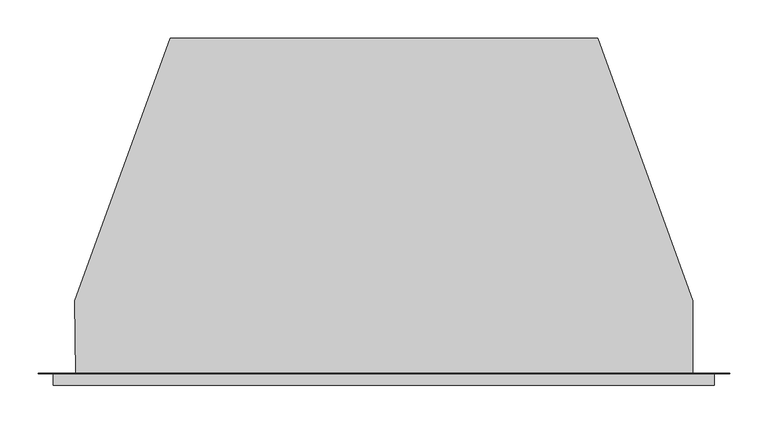
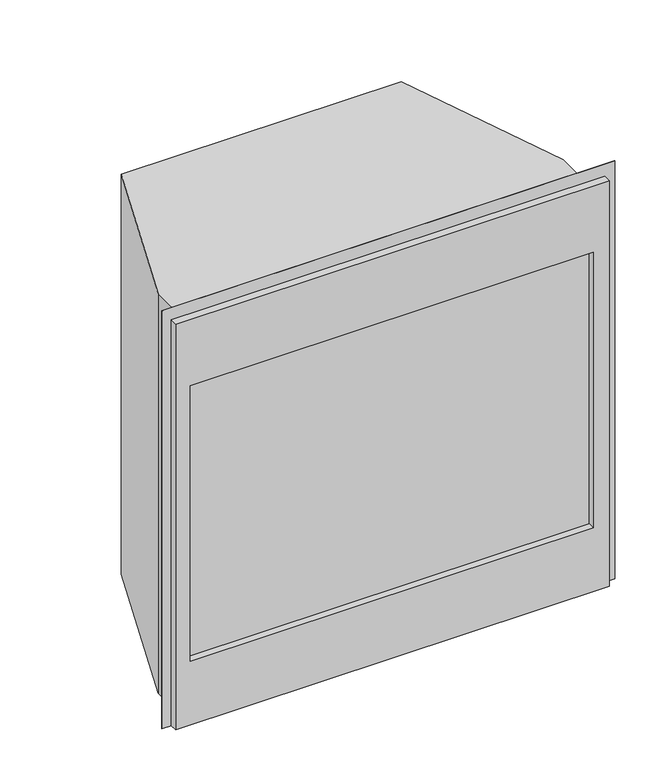
"""IFC4 building model written with IfcOpenShell, lengths in millimetres: proxy geometry."""

import ifcopenshell
import ifcopenshell.guid

model = None  # the IFC model being written
_history = None  # IfcOwnerHistory: only IFC2X3 demands one
_inside = {}  # id of a spatial element -> (the spatial element, [elements in it])
_under = {}  # id of a project, library or spatial element -> (it, [spatial elements below it])
_declared = {}  # id of a project -> (the project, [libraries it declares])
_typed = {}  # id of a type object -> (the type object, [elements of that type])
_made_of = {}  # id of a material, layer set ... -> (it, [elements and type objects made of it])


def new_model(schema):
    """Start an empty IFC model of exactly this schema.

    Asked for "IFC4X3", IfcOpenShell would pick the latest addendum, in which some entities
    have other attributes; the version numbers below select the first issue.
    IFC2X3 requires an IfcOwnerHistory on every rooted entity: one is made here for all.
    """
    global model, _history
    if schema == "IFC4X3":
        model = ifcopenshell.file(schema_version=(4, 3, 0, 0))
    else:
        model = ifcopenshell.file(schema=schema)
    _inside.clear()
    _under.clear()
    _declared.clear()
    _typed.clear()
    _made_of.clear()
    _history = None
    if model.schema == "IFC2X3":
        org = make("IfcOrganization", Name="unknown")
        user = make(
            "IfcPersonAndOrganization",
            ThePerson=make("IfcPerson", FamilyName="unknown"),
            TheOrganization=org,
        )
        app = make(
            "IfcApplication",
            ApplicationDeveloper=org,
            Version="unknown",
            ApplicationFullName="unknown",
            ApplicationIdentifier="unknown",
        )
        _history = make(
            "IfcOwnerHistory",
            OwningUser=user,
            OwningApplication=app,
            ChangeAction="ADDED",
            CreationDate=0,
        )
    return model


def make(cls, **values):
    """One entity of the class cls with the attributes given. An attribute that is None is left unset."""
    return model.create_entity(
        cls, **{name: value for name, value in values.items() if value is not None}
    )


def rooted(cls, **values):
    """An entity with a GlobalId (a new one), such as an element, a storey or a relation."""
    return make(cls, GlobalId=ifcopenshell.guid.new(), OwnerHistory=_history, **values)


def si_unit(unit_type, name, prefix=None):
    """IfcSIUnit, for example si_unit("LENGTHUNIT", "METRE", prefix="MILLI")."""
    return make("IfcSIUnit", UnitType=unit_type, Prefix=prefix, Name=name)


def assignment(units):
    """IfcUnitAssignment: the units of a project."""
    return None if units is None else make("IfcUnitAssignment", Units=units)


def point(xyz):
    """IfcCartesianPoint."""
    return None if xyz is None else make("IfcCartesianPoint", Coordinates=xyz)


def direction(xyz):
    """IfcDirection."""
    return None if xyz is None else make("IfcDirection", DirectionRatios=xyz)


def frame(location, z_axis=None, x_axis=None):
    """IfcAxis2Placement3D, a coordinate frame: its origin and axes. An axis left out is left unset."""
    return make(
        "IfcAxis2Placement3D",
        Location=point(location),
        Axis=direction(z_axis),
        RefDirection=direction(x_axis),
    )


def origin():
    """The frame at (0, 0, 0) with its axes left unset."""
    return frame((0.0, 0.0, 0.0))


def place(relative_to, where):
    """IfcLocalPlacement: puts the frame where relative to a parent placement (None: the world)."""
    return make(
        "IfcLocalPlacement", PlacementRelTo=relative_to, RelativePlacement=where
    )


def context(
    kind, dimensions, precision=None, world=None, true_north=None, identifier=None
):
    """IfcGeometricRepresentationContext, for example the 3D "Model" context."""
    return make(
        "IfcGeometricRepresentationContext",
        ContextIdentifier=identifier,
        ContextType=kind,
        CoordinateSpaceDimension=dimensions,
        Precision=precision,
        WorldCoordinateSystem=world,
        TrueNorth=true_north,
    )


def project(units=None, contexts=None):
    """IfcProject with its units and contexts."""
    return rooted(
        "IfcProject",
        Name="project",
        RepresentationContexts=contexts,
        UnitsInContext=assignment(units),
    )


def spatial(cls, under=None, at=None, **own):
    """A site, building, storey or space (cls), placed at a placement, below another one or the project."""
    s = rooted(cls, ObjectPlacement=at, **own)
    if under is not None:
        _under.setdefault(under.id(), (under, []))[1].append(s)
    return s


def faces_of(points, faces, orient=None, outer=None):
    """IfcFace entities. A face is a list of loops; a loop is a list of indices into points, from 0.

    orient and outer hold one flag for each loop. By default every Orientation is true, the
    first loop of a face is its IfcFaceOuterBound and the others are IfcFaceBound.
    """
    made = []
    for i, loops in enumerate(faces):
        bounds = []
        for j, loop in enumerate(loops):
            is_outer = j == 0 if outer is None else outer[i][j]
            bounds.append(
                make(
                    "IfcFaceOuterBound" if is_outer else "IfcFaceBound",
                    Bound=make("IfcPolyLoop", Polygon=[points[k] for k in loop]),
                    Orientation=True if orient is None else orient[i][j],
                )
            )
        made.append(make("IfcFace", Bounds=bounds))
    return made


def faceted_brep(points, faces, orient=None, outer=None, voids=None):
    """IfcFacetedBrep: a solid bounded by flat faces; with voids (closed shells), ...WithVoids."""
    shared = [point(p) for p in points]
    hull = make("IfcClosedShell", CfsFaces=faces_of(shared, faces, orient, outer))
    if voids is None:
        return make("IfcFacetedBrep", Outer=hull)
    return make(
        "IfcFacetedBrepWithVoids",
        Outer=hull,
        Voids=[
            make(cls, CfsFaces=faces_of(shared, fs, o, b)) for cls, fs, o, b in voids
        ],
    )


def shape(context_of_items, identifier, shape_type, items):
    """IfcShapeRepresentation: the items that make up one representation, for example the "Body"."""
    return make(
        "IfcShapeRepresentation",
        ContextOfItems=context_of_items,
        RepresentationIdentifier=identifier,
        RepresentationType=shape_type,
        Items=items,
    )


def source(mapping_origin, context_of_items, identifier, shape_type, items):
    """IfcRepresentationMap: a shape defined once, which mapped items show again and again."""
    return make(
        "IfcRepresentationMap",
        MappingOrigin=mapping_origin,
        MappedRepresentation=shape(context_of_items, identifier, shape_type, items),
    )


def transform(
    local_origin,
    x_axis=None,
    y_axis=None,
    z_axis=None,
    scale=None,
    scale2=None,
    scale3=None,
    uniform=True,
):
    """IfcCartesianTransformationOperator3D, or its non-uniform kind. x_axis, y_axis, z_axis: its Axis1, 2, 3."""
    if uniform:
        return make(
            "IfcCartesianTransformationOperator3D",
            Axis1=direction(x_axis),
            Axis2=direction(y_axis),
            LocalOrigin=point(local_origin),
            Scale=scale,
            Axis3=direction(z_axis),
        )
    return make(
        "IfcCartesianTransformationOperator3DnonUniform",
        Axis1=direction(x_axis),
        Axis2=direction(y_axis),
        LocalOrigin=point(local_origin),
        Scale=scale,
        Axis3=direction(z_axis),
        Scale2=scale2,
        Scale3=scale3,
    )


def mapped(mapping_source, mapping_target):
    """IfcMappedItem: shows the shape of a source again, moved by a transform."""
    return make(
        "IfcMappedItem", MappingSource=mapping_source, MappingTarget=mapping_target
    )


def made_of(thing, what):
    """Note that an element or type object is made of a material, layer set ...; save() writes the relation."""
    if what is not None:
        _made_of.setdefault(what.id(), (what, []))[1].append(thing)
    return thing


def element(
    cls,
    number,
    at=None,
    inside=None,
    cuts=None,
    type_object=None,
    material=None,
    context=None,
    identifier="Body",
    shape_type=None,
    held_by="IfcProductDefinitionShape",
    body=None,
    shapes=None,
    **own,
):
    """One element of the class cls, such as IfcWall. Its Tag is "e" and its number.

    at: its placement. inside: the storey or other place that contains it. cuts: it is an
    opening in that element (IfcRelVoidsElement). A single representation is given by context,
    identifier, shape_type and body (its items); several are given by shapes. held_by: the class
    of the entity that holds the representations. save() writes the other relations.
    """
    e = rooted(cls, Tag="e%d" % number, ObjectPlacement=at, **own)
    if body is not None:
        shapes = [shape(context, identifier, shape_type, body)]
    if shapes is not None:
        e.Representation = make(held_by, Representations=shapes)
    if inside is not None:
        _inside.setdefault(inside.id(), (inside, []))[1].append(e)
    if cuts is not None:
        rooted(
            "IfcRelVoidsElement", RelatingBuildingElement=cuts, RelatedOpeningElement=e
        )
    if type_object is not None:
        _typed.setdefault(type_object.id(), (type_object, []))[1].append(e)
    return made_of(e, material)


def aggregate(whole, parts):
    """IfcRelAggregates: a whole, such as a stair, and the parts it consists of."""
    return rooted("IfcRelAggregates", RelatingObject=whole, RelatedObjects=parts)


def save(model, path):
    """Write the relations noted so far, then the file.

    IfcRelAggregates (storeys below a building ...), IfcRelContainedInSpatialStructure (elements
    in a storey), IfcRelDefinesByType, IfcRelAssociatesMaterial and IfcRelDeclares: one each for
    every whole, place, type object, material and project.
    """
    for whole, parts in _under.values():
        aggregate(whole, parts)
    for where, things in _inside.values():
        rooted(
            "IfcRelContainedInSpatialStructure",
            RelatedElements=things,
            RelatingStructure=where,
        )
    for kind, things in _typed.values():
        rooted("IfcRelDefinesByType", RelatedObjects=things, RelatingType=kind)
    for what, things in _made_of.values():
        rooted("IfcRelAssociatesMaterial", RelatedObjects=things, RelatingMaterial=what)
    for by, libraries in _declared.values():
        rooted("IfcRelDeclares", RelatingContext=by, RelatedDefinitions=libraries)
    model.write(path)


def generic_models_903b1cdc(model_context):
    return source(origin(), model_context, "Body", "Brep", [
        faceted_brep([(-430.2633256, -15.0876045, 850.9), (429.3996841, -15.0876045, 850.9), (429.3996841, -0.0317642, 850.9), (-430.2633256, -0.0317642, 850.9), (429.3996841, -15.0876045, 0.0), (-430.2633256, -15.0876045, 0.0), (-430.2633256, -0.0317642, 0.0), (-449.2117018, -0.0317642, 0.0), (-449.2117018, 0.7619858, 0.0), (-400.9094015, 0.7619858, 0.0), (-401.7229302, 94.8813516, 0.0), (-277.6662527, 435.7242957, 0.0), (277.6662229, 435.7242957, 0.0), (401.6984254, 94.9485959, 0.0), (401.6984254, 0.7619858, 0.0), (449.2116719, 0.7619858, 0.0), (449.2116719, -0.0317642, 0.0), (429.3996841, -0.0317642, 0.0), (-400.9028152, -15.0876045, 711.2), (398.4625, -15.0876045, 711.2), (398.4625, -15.0876045, 133.35), (-400.9028152, -15.0876045, 133.35), (-449.2117018, 0.7619858, 876.3), (449.2116719, 0.7619858, 876.3), (401.6984254, 0.7619858, 838.2), (-400.9094015, 0.7619858, 838.2), (-449.2117018, -0.0317642, 876.3), (449.2116719, -0.0317642, 876.3), (398.4625, -0.0317642, 711.2), (-400.9028152, -0.0317642, 711.2), (-400.9028152, -0.0317642, 133.35), (398.4625, -0.0317642, 133.35), (401.6984254, 94.9485959, 838.2), (277.6662229, 435.7242957, 838.2), (-277.6662527, 435.7242957, 838.2), (-401.7229302, 94.8813516, 838.2)], [[[0, 1, 2, 3]], [[4, 5, 6, 7, 8, 9, 10, 11, 12, 13, 14, 15, 16, 17]], [[5, 0, 3, 6]], [[1, 0, 5, 4], [18, 19, 20, 21]], [[1, 4, 17, 2]], [[22, 23, 15, 14, 24, 25, 9, 8]], [[22, 26, 27, 23]], [[26, 22, 8, 7]], [[27, 26, 7, 6, 3, 2, 17, 16]], [[28, 29, 30, 31]], [[23, 27, 16, 15]], [[32, 33, 34, 35, 25, 24]], [[34, 33, 12, 11]], [[13, 32, 24, 14]], [[33, 32, 13, 12]], [[35, 34, 11, 10]], [[35, 10, 9, 25]], [[19, 18, 29, 28]], [[18, 21, 30, 29]], [[21, 20, 31, 30]], [[20, 19, 28, 31]]]),
    ])


if __name__ == "__main__":
    model = new_model("IFC4")
    model_context = context("Model", 3, world=origin())
    ifc_project = project(units=[si_unit("LENGTHUNIT", "METRE", prefix="MILLI")], contexts=[model_context])
    site = spatial("IfcSite", under=ifc_project)
    building = spatial("IfcBuilding", under=site)
    placement = place(None, origin())
    generic_models_shape = generic_models_903b1cdc(model_context)
    element("IfcBuildingElementProxy", 1, Name="Generic Models", at=placement, inside=building, context=model_context, shape_type="MappedRepresentation", body=[
        mapped(generic_models_shape, transform((0.0, 0.0, 0.0), x_axis=(1.0, 0.0, 0.0), y_axis=(0.0, 1.0, 0.0), z_axis=(0.0, 0.0, 1.0))),
    ])
    save(model, "model.ifc")
